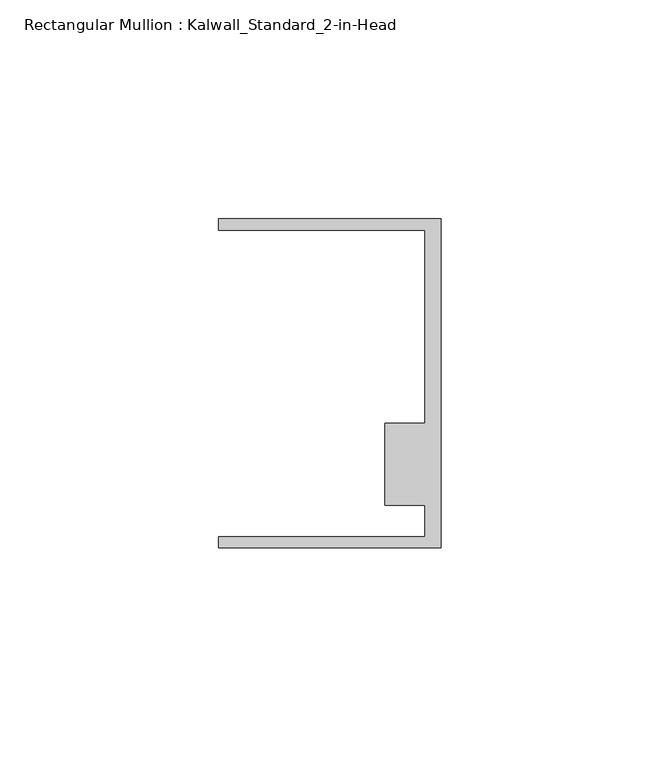
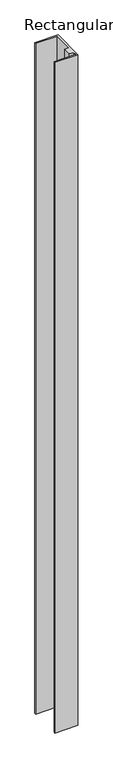
"""IFC4 building model written with IfcOpenShell, lengths in millimetres: member geometry, Rectangular Mullion : Kalwall_Standard_2-in-Head."""

import ifcopenshell
import ifcopenshell.guid

model = None  # the IFC model being written
_history = None  # IfcOwnerHistory: only IFC2X3 demands one
_inside = {}  # id of a spatial element -> (the spatial element, [elements in it])
_under = {}  # id of a project, library or spatial element -> (it, [spatial elements below it])
_declared = {}  # id of a project -> (the project, [libraries it declares])
_typed = {}  # id of a type object -> (the type object, [elements of that type])
_made_of = {}  # id of a material, layer set ... -> (it, [elements and type objects made of it])


def new_model(schema):
    """Start an empty IFC model of exactly this schema.

    Asked for "IFC4X3", IfcOpenShell would pick the latest addendum, in which some entities
    have other attributes; the version numbers below select the first issue.
    IFC2X3 requires an IfcOwnerHistory on every rooted entity: one is made here for all.
    """
    global model, _history
    if schema == "IFC4X3":
        model = ifcopenshell.file(schema_version=(4, 3, 0, 0))
    else:
        model = ifcopenshell.file(schema=schema)
    _inside.clear()
    _under.clear()
    _declared.clear()
    _typed.clear()
    _made_of.clear()
    _history = None
    if model.schema == "IFC2X3":
        org = make("IfcOrganization", Name="unknown")
        user = make(
            "IfcPersonAndOrganization",
            ThePerson=make("IfcPerson", FamilyName="unknown"),
            TheOrganization=org,
        )
        app = make(
            "IfcApplication",
            ApplicationDeveloper=org,
            Version="unknown",
            ApplicationFullName="unknown",
            ApplicationIdentifier="unknown",
        )
        _history = make(
            "IfcOwnerHistory",
            OwningUser=user,
            OwningApplication=app,
            ChangeAction="ADDED",
            CreationDate=0,
        )
    return model


def make(cls, **values):
    """One entity of the class cls with the attributes given. An attribute that is None is left unset."""
    return model.create_entity(
        cls, **{name: value for name, value in values.items() if value is not None}
    )


def rooted(cls, **values):
    """An entity with a GlobalId (a new one), such as an element, a storey or a relation."""
    return make(cls, GlobalId=ifcopenshell.guid.new(), OwnerHistory=_history, **values)


def si_unit(unit_type, name, prefix=None):
    """IfcSIUnit, for example si_unit("LENGTHUNIT", "METRE", prefix="MILLI")."""
    return make("IfcSIUnit", UnitType=unit_type, Prefix=prefix, Name=name)


def assignment(units):
    """IfcUnitAssignment: the units of a project."""
    return None if units is None else make("IfcUnitAssignment", Units=units)


def point(xyz):
    """IfcCartesianPoint."""
    return None if xyz is None else make("IfcCartesianPoint", Coordinates=xyz)


def direction(xyz):
    """IfcDirection."""
    return None if xyz is None else make("IfcDirection", DirectionRatios=xyz)


def frame(location, z_axis=None, x_axis=None):
    """IfcAxis2Placement3D, a coordinate frame: its origin and axes. An axis left out is left unset."""
    return make(
        "IfcAxis2Placement3D",
        Location=point(location),
        Axis=direction(z_axis),
        RefDirection=direction(x_axis),
    )


def origin():
    """The frame at (0, 0, 0) with its axes left unset."""
    return frame((0.0, 0.0, 0.0))


def place(relative_to, where):
    """IfcLocalPlacement: puts the frame where relative to a parent placement (None: the world)."""
    return make(
        "IfcLocalPlacement", PlacementRelTo=relative_to, RelativePlacement=where
    )


def context(
    kind, dimensions, precision=None, world=None, true_north=None, identifier=None
):
    """IfcGeometricRepresentationContext, for example the 3D "Model" context."""
    return make(
        "IfcGeometricRepresentationContext",
        ContextIdentifier=identifier,
        ContextType=kind,
        CoordinateSpaceDimension=dimensions,
        Precision=precision,
        WorldCoordinateSystem=world,
        TrueNorth=true_north,
    )


def project(units=None, contexts=None):
    """IfcProject with its units and contexts."""
    return rooted(
        "IfcProject",
        Name="project",
        RepresentationContexts=contexts,
        UnitsInContext=assignment(units),
    )


def spatial(cls, under=None, at=None, **own):
    """A site, building, storey or space (cls), placed at a placement, below another one or the project."""
    s = rooted(cls, ObjectPlacement=at, **own)
    if under is not None:
        _under.setdefault(under.id(), (under, []))[1].append(s)
    return s


def polyline(points):
    """IfcPolyline through the points."""
    return make("IfcPolyline", Points=[point(p) for p in points])


def outline(outer, holes=None, kind="AREA"):
    """IfcArbitraryClosedProfileDef: a profile drawn as a closed curve; with holes, ...WithVoids."""
    if holes is None:
        return make("IfcArbitraryClosedProfileDef", ProfileType=kind, OuterCurve=outer)
    return make(
        "IfcArbitraryProfileDefWithVoids",
        ProfileType=kind,
        OuterCurve=outer,
        InnerCurves=holes,
    )


def extrude(swept, where, along, depth):
    """IfcExtrudedAreaSolid: the profile swept, set in the frame where, extruded along a direction by depth."""
    return make(
        "IfcExtrudedAreaSolid",
        SweptArea=swept,
        Position=where,
        ExtrudedDirection=direction(along),
        Depth=depth,
    )


def shape(context_of_items, identifier, shape_type, items):
    """IfcShapeRepresentation: the items that make up one representation, for example the "Body"."""
    return make(
        "IfcShapeRepresentation",
        ContextOfItems=context_of_items,
        RepresentationIdentifier=identifier,
        RepresentationType=shape_type,
        Items=items,
    )


def source(mapping_origin, context_of_items, identifier, shape_type, items):
    """IfcRepresentationMap: a shape defined once, which mapped items show again and again."""
    return make(
        "IfcRepresentationMap",
        MappingOrigin=mapping_origin,
        MappedRepresentation=shape(context_of_items, identifier, shape_type, items),
    )


def transform(
    local_origin,
    x_axis=None,
    y_axis=None,
    z_axis=None,
    scale=None,
    scale2=None,
    scale3=None,
    uniform=True,
):
    """IfcCartesianTransformationOperator3D, or its non-uniform kind. x_axis, y_axis, z_axis: its Axis1, 2, 3."""
    if uniform:
        return make(
            "IfcCartesianTransformationOperator3D",
            Axis1=direction(x_axis),
            Axis2=direction(y_axis),
            LocalOrigin=point(local_origin),
            Scale=scale,
            Axis3=direction(z_axis),
        )
    return make(
        "IfcCartesianTransformationOperator3DnonUniform",
        Axis1=direction(x_axis),
        Axis2=direction(y_axis),
        LocalOrigin=point(local_origin),
        Scale=scale,
        Axis3=direction(z_axis),
        Scale2=scale2,
        Scale3=scale3,
    )


def mapped(mapping_source, mapping_target):
    """IfcMappedItem: shows the shape of a source again, moved by a transform."""
    return make(
        "IfcMappedItem", MappingSource=mapping_source, MappingTarget=mapping_target
    )


def made_of(thing, what):
    """Note that an element or type object is made of a material, layer set ...; save() writes the relation."""
    if what is not None:
        _made_of.setdefault(what.id(), (what, []))[1].append(thing)
    return thing


def element(
    cls,
    number,
    at=None,
    inside=None,
    cuts=None,
    type_object=None,
    material=None,
    context=None,
    identifier="Body",
    shape_type=None,
    held_by="IfcProductDefinitionShape",
    body=None,
    shapes=None,
    **own,
):
    """One element of the class cls, such as IfcWall. Its Tag is "e" and its number.

    at: its placement. inside: the storey or other place that contains it. cuts: it is an
    opening in that element (IfcRelVoidsElement). A single representation is given by context,
    identifier, shape_type and body (its items); several are given by shapes. held_by: the class
    of the entity that holds the representations. save() writes the other relations.
    """
    e = rooted(cls, Tag="e%d" % number, ObjectPlacement=at, **own)
    if body is not None:
        shapes = [shape(context, identifier, shape_type, body)]
    if shapes is not None:
        e.Representation = make(held_by, Representations=shapes)
    if inside is not None:
        _inside.setdefault(inside.id(), (inside, []))[1].append(e)
    if cuts is not None:
        rooted(
            "IfcRelVoidsElement", RelatingBuildingElement=cuts, RelatedOpeningElement=e
        )
    if type_object is not None:
        _typed.setdefault(type_object.id(), (type_object, []))[1].append(e)
    return made_of(e, material)


def aggregate(whole, parts):
    """IfcRelAggregates: a whole, such as a stair, and the parts it consists of."""
    return rooted("IfcRelAggregates", RelatingObject=whole, RelatedObjects=parts)


def save(model, path):
    """Write the relations noted so far, then the file.

    IfcRelAggregates (storeys below a building ...), IfcRelContainedInSpatialStructure (elements
    in a storey), IfcRelDefinesByType, IfcRelAssociatesMaterial and IfcRelDeclares: one each for
    every whole, place, type object, material and project.
    """
    for whole, parts in _under.values():
        aggregate(whole, parts)
    for where, things in _inside.values():
        rooted(
            "IfcRelContainedInSpatialStructure",
            RelatedElements=things,
            RelatingStructure=where,
        )
    for kind, things in _typed.values():
        rooted("IfcRelDefinesByType", RelatedObjects=things, RelatingType=kind)
    for what, things in _made_of.values():
        rooted("IfcRelAssociatesMaterial", RelatedObjects=things, RelatingMaterial=what)
    for by, libraries in _declared.values():
        rooted("IfcRelDeclares", RelatingContext=by, RelatedDefinitions=libraries)
    model.write(path)


def rectangular_mullion_kalwall_standard_2_in_head_a0b0cfd4(model_context):
    return source(origin(), model_context, "Body", "SweptSolid", [
        extrude(outline(polyline([(0.0, -37.5776386), (-50.8, -37.5776386), (-50.8, -35.0376386), (-3.7084, -35.0376386), (-3.7084, -27.8888568), (-12.8272539, -27.8888568), (-12.8272539, -9.1879886), (-3.7084, -9.1879886), (-3.7084, 34.9623614), (-50.8, 34.9623614), (-50.8, 37.5023614), (0.0, 37.5023614), (0.0, -37.5776386)])), frame((0.0, 0.0, -1552.956), z_axis=(0.0, 0.0, 1.0), x_axis=(1.0, 0.0, 0.0)), (0.0, 0.0, 1.0), 1552.956),
    ])


if __name__ == "__main__":
    model = new_model("IFC4")
    model_context = context("Model", 3, world=origin())
    ifc_project = project(units=[si_unit("LENGTHUNIT", "METRE", prefix="MILLI")], contexts=[model_context])
    site = spatial("IfcSite", under=ifc_project)
    building = spatial("IfcBuilding", under=site)
    placement = place(None, origin())
    rectangular_mullion_kalwall_standard_2_in_head_shape = rectangular_mullion_kalwall_standard_2_in_head_a0b0cfd4(model_context)
    element("IfcMember", 1, ObjectType="Rectangular Mullion : Kalwall_Standard_2-in-Head", at=placement, inside=building, context=model_context, shape_type="MappedRepresentation", body=[
        mapped(rectangular_mullion_kalwall_standard_2_in_head_shape, transform((0.0, 0.0, 0.0), x_axis=(1.0, 0.0, 0.0), y_axis=(0.0, 1.0, 0.0), z_axis=(0.0, 0.0, 1.0))),
    ])
    save(model, "model.ifc")
